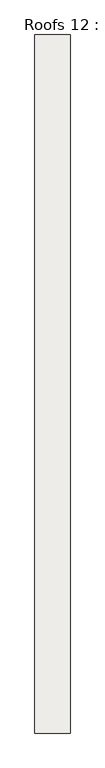
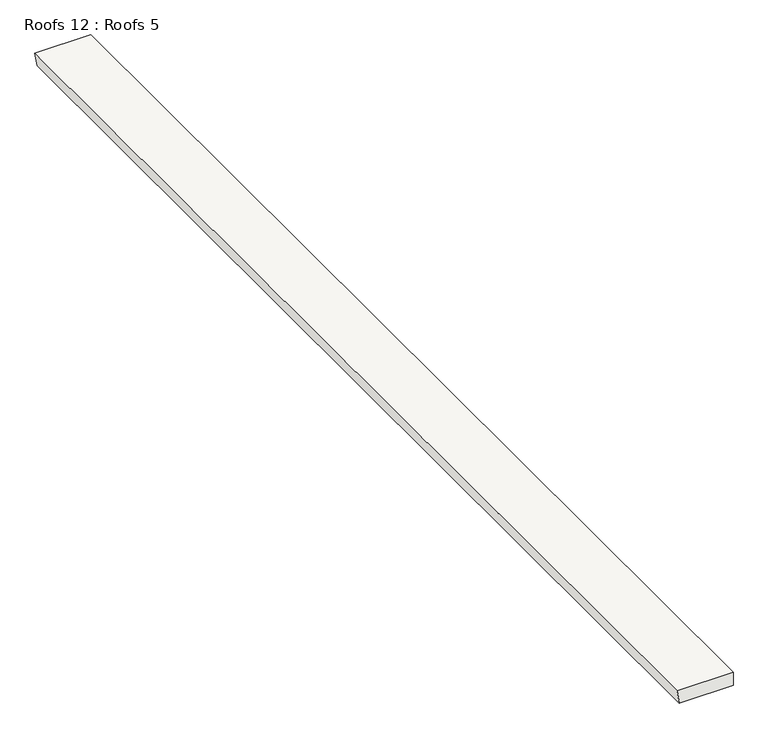
"""IFC4 building model written with IfcOpenShell, lengths in millimetres: roof geometry, Roofs 12 : Roofs 5."""

from ifc_helpers import new_model, si_unit, origin, place, context, project, spatial, faceted_brep, source, transform, mapped, element, save


def roofs_12_roofs_5_160856c4(model_context):
    return source(origin(), model_context, "Body", "Brep", [
        faceted_brep([(-12602.1969605, 2523.5188459, -2122.6443927), (-12957.7969605, 2523.5188459, -2122.6443927), (-12976.136933, 2523.5188459, -2122.6443927), (-12991.2230509, 2523.5188459, -2027.3943927), (-12602.1969605, 2523.5188459, -2027.3943927), (-12602.1969605, -5198.0811541, -2122.6443927), (-12602.1969605, -5198.0811541, -2027.3943927), (-12991.2230509, -5198.0811541, -2027.3943927), (-12976.136933, -5198.0811541, -2122.6443927), (-12957.7969605, -5198.0811541, -2122.6443927)], [[[0, 1, 2, 3, 4]], [[5, 6, 7, 8, 9]], [[0, 4, 6, 5]], [[4, 3, 7, 6]], [[3, 2, 8, 7]], [[2, 1, 0, 5, 9, 8]]]),
    ])


if __name__ == "__main__":
    model = new_model("IFC4")
    model_context = context("Model", 3, world=origin())
    ifc_project = project(units=[si_unit("LENGTHUNIT", "METRE", prefix="MILLI")], contexts=[model_context])
    site = spatial("IfcSite", under=ifc_project)
    building = spatial("IfcBuilding", under=site)
    placement = place(None, origin())
    roofs_12_roofs_5_shape = roofs_12_roofs_5_160856c4(model_context)
    element("IfcRoof", 1, ObjectType="Roofs 12 : Roofs 5", at=placement, inside=building, context=model_context, shape_type="MappedRepresentation", body=[
        mapped(roofs_12_roofs_5_shape, transform((0.0, 0.0, 0.0), x_axis=(1.0, 0.0, 0.0), y_axis=(0.0, 1.0, 0.0), z_axis=(0.0, 0.0, 1.0))),
    ])
    save(model, "model.ifc")
